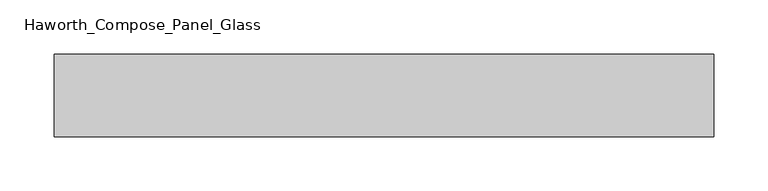
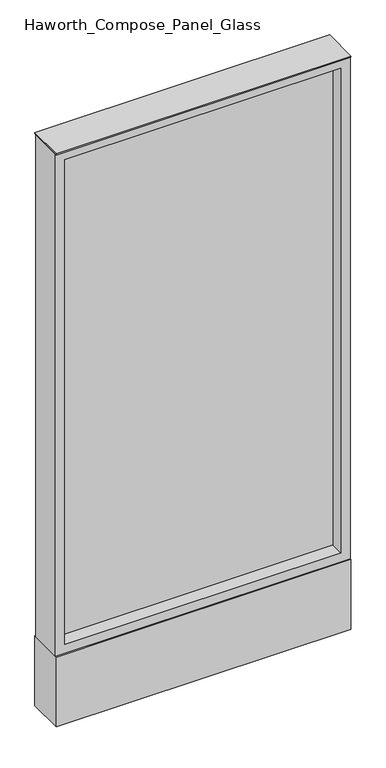
"""IFC4 building model written with IfcOpenShell, lengths in millimetres: furniture geometry, Haworth_Compose_Panel_Glass."""

from ifc_helpers import new_model, si_unit, point, frame, frame_2d, origin, origin_with_axes, place, context, project, spatial, polyline, circle_curve, trimmed, segment, composite_curve, outline, extrude, source, transform, mapped, element, save


def haworth_compose_panel_glass_c6df610b(model_context):
    return source(origin(), model_context, "Body", "SweptSolid", [
        extrude(outline(composite_curve([segment(trimmed(circle_curve(frame_2d((231.0402902, 0.0)), 12.7), [point((218.3402902, 0.0))], [point((243.7402902, 0.0))], False, "CARTESIAN"), True, "CONTINUOUS"), segment(trimmed(circle_curve(frame_2d((231.0402902, 0.0)), 12.7), [point((243.7402902, 0.0))], [point((218.3402902, 0.0))], False, "CARTESIAN"), True, "CONTINUOUS")], self_intersect=False)), origin_with_axes(), (0.0, 0.0, 1.0), 12.7),
        extrude(outline(composite_curve([segment(trimmed(circle_curve(frame_2d((-226.1597098, 0.0)), 12.7), [point((-238.8597098, 0.0))], [point((-213.4597098, 0.0))], False, "CARTESIAN"), True, "CONTINUOUS"), segment(trimmed(circle_curve(frame_2d((-226.1597098, 0.0)), 12.7), [point((-213.4597098, 0.0))], [point((-238.8597098, 0.0))], False, "CARTESIAN"), True, "CONTINUOUS")], self_intersect=False)), origin_with_axes(), (0.0, 0.0, 1.0), 12.7),
        extrude(outline(polyline([(288.1902902, -6.35), (-283.3097098, -6.35), (-283.3097098, 6.35), (288.1902902, 6.35), (288.1902902, -6.35)])), frame((0.0, 0.0, 184.15), z_axis=(0.0, 0.0, 1.0), x_axis=(1.0, 0.0, 0.0)), (0.0, 0.0, 1.0), 1060.45),
        extrude(outline(polyline([(1263.65, -302.3597098), (165.1, -302.3597098), (165.1, 307.2402902), (1263.65, 307.2402902), (1263.65, -302.3597098)]), holes=[polyline([(1244.6, 288.1902902), (184.15, 288.1902902), (184.15, -283.3097098), (1244.6, -283.3097098), (1244.6, 288.1902902)])]), frame((0.0, -34.925, 0.0), z_axis=(0.0, 1.0, 0.0), x_axis=(0.0, 0.0, 1.0)), (0.0, 0.0, 1.0), 69.85),
        extrude(outline(polyline([(-302.3597098, 38.1), (307.2402902, 38.1), (307.2402902, -38.1), (-302.3597098, -38.1), (-302.3597098, 38.1)])), frame((0.0, 0.0, 12.7), z_axis=(0.0, 0.0, 1.0), x_axis=(1.0, 0.0, 0.0)), (0.0, 0.0, 1.0), 152.4),
        extrude(outline(polyline([(-302.3597098, -38.1), (-302.3597098, 38.1), (307.2402902, 38.1), (307.2402902, -38.1), (-302.3597098, -38.1)])), frame((0.0, 0.0, 1263.65), z_axis=(0.0, 0.0, 1.0), x_axis=(1.0, 0.0, 0.0)), (0.0, 0.0, 1.0), 3.175),
    ])


if __name__ == "__main__":
    model = new_model("IFC4")
    model_context = context("Model", 3, world=origin())
    ifc_project = project(units=[si_unit("LENGTHUNIT", "METRE", prefix="MILLI")], contexts=[model_context])
    site = spatial("IfcSite", under=ifc_project)
    building = spatial("IfcBuilding", under=site)
    placement = place(None, origin())
    haworth_compose_panel_glass_shape = haworth_compose_panel_glass_c6df610b(model_context)
    element("IfcFurniture", 1, ObjectType="Haworth_Compose_Panel_Glass", at=placement, inside=building, context=model_context, shape_type="MappedRepresentation", body=[
        mapped(haworth_compose_panel_glass_shape, transform((0.0, 0.0, 0.0), x_axis=(1.0, 0.0, 0.0), y_axis=(0.0, 1.0, 0.0), z_axis=(0.0, 0.0, 1.0))),
    ])
    save(model, "model.ifc")
